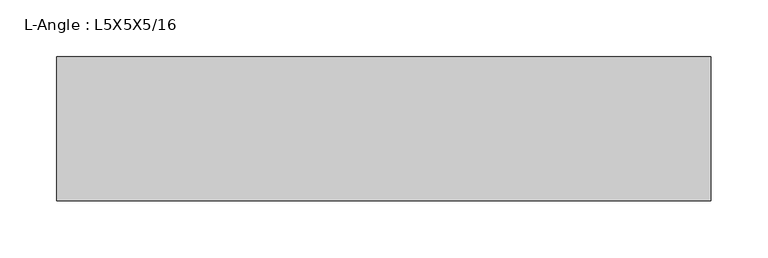
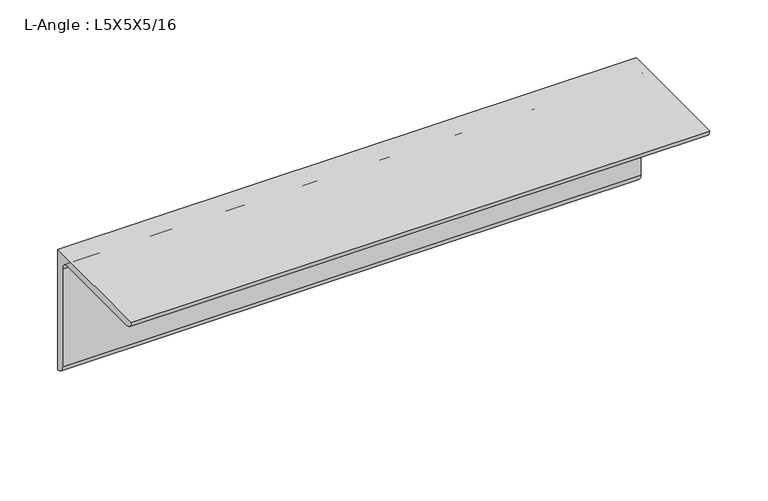
"""IFC4 building model written with IfcOpenShell, lengths in millimetres: beam geometry, L-Angle : L5X5X5/16."""

from ifc_helpers import new_model, si_unit, point, frame, frame_2d, origin, place, context, project, spatial, polyline, circle_curve, trimmed, segment, composite_curve, outline, extrude, source, transform, mapped, element, save


def l_angle_l5x5x5_16_d9888234(model_context):
    return source(origin(), model_context, "Body", "SweptSolid", [
        extrude(outline(composite_curve([segment(polyline([(34.3296875, 34.3296875), (34.3296875, -92.6703125)]), True, "CONTINUOUS"), segment(trimmed(circle_curve(frame_2d((34.3296875, -84.7328125)), 7.9375), [point((34.3296875, -92.6703125))], [point((26.3921875, -84.7328125))], False, "CARTESIAN"), True, "CONTINUOUS"), segment(polyline([(26.3921875, -84.7328125), (26.3921875, 18.4546875)]), True, "CONTINUOUS"), segment(trimmed(circle_curve(frame_2d((18.4546875, 18.4546875)), 7.9375), [point((26.3921875, 18.4546875))], [point((18.4546875, 26.3921875))], True, "CARTESIAN"), True, "CONTINUOUS"), segment(polyline([(18.4546875, 26.3921875), (-84.7328125, 26.3921875)]), True, "CONTINUOUS"), segment(trimmed(circle_curve(frame_2d((-84.7328125, 34.3296875)), 7.9375), [point((-84.7328125, 26.3921875))], [point((-92.6703125, 34.3296875))], False, "CARTESIAN"), True, "CONTINUOUS"), segment(polyline([(-92.6703125, 34.3296875), (34.3296875, 34.3296875)]), True, "CONTINUOUS")], self_intersect=False)), frame((-288.3296875, 0.0, 0.0), z_axis=(1.0, 0.0, 0.0), x_axis=(0.0, 1.0, 0.0)), (0.0, 0.0, 1.0), 576.659375),
    ])


if __name__ == "__main__":
    model = new_model("IFC4")
    model_context = context("Model", 3, world=origin())
    ifc_project = project(units=[si_unit("LENGTHUNIT", "METRE", prefix="MILLI")], contexts=[model_context])
    site = spatial("IfcSite", under=ifc_project)
    building = spatial("IfcBuilding", under=site)
    placement = place(None, origin())
    l_angle_l5x5x5_16_shape = l_angle_l5x5x5_16_d9888234(model_context)
    element("IfcBeam", 1, ObjectType="L-Angle : L5X5X5/16", at=placement, inside=building, context=model_context, shape_type="MappedRepresentation", body=[
        mapped(l_angle_l5x5x5_16_shape, transform((0.0, 0.0, 0.0), x_axis=(1.0, 0.0, 0.0), y_axis=(0.0, 1.0, 0.0), z_axis=(0.0, 0.0, 1.0))),
    ])
    save(model, "model.ifc")
